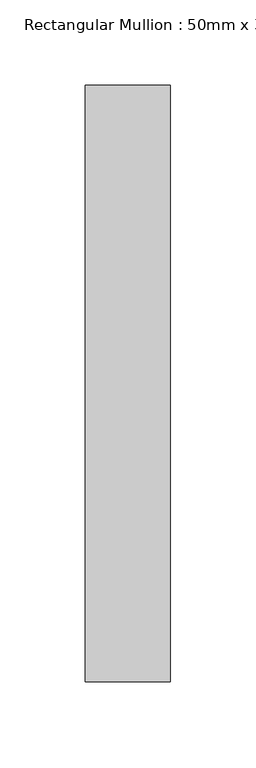
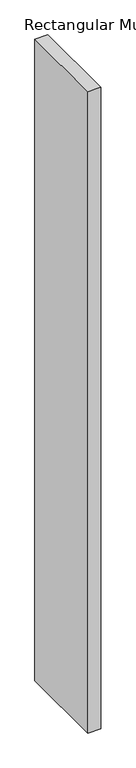
"""IFC4 building model written with IfcOpenShell, lengths in millimetres: member geometry, Rectangular Mullion : 50mm x 350mm."""

import ifcopenshell
import ifcopenshell.guid

model = None  # the IFC model being written
_history = None  # IfcOwnerHistory: only IFC2X3 demands one
_inside = {}  # id of a spatial element -> (the spatial element, [elements in it])
_under = {}  # id of a project, library or spatial element -> (it, [spatial elements below it])
_declared = {}  # id of a project -> (the project, [libraries it declares])
_typed = {}  # id of a type object -> (the type object, [elements of that type])
_made_of = {}  # id of a material, layer set ... -> (it, [elements and type objects made of it])


def new_model(schema):
    """Start an empty IFC model of exactly this schema.

    Asked for "IFC4X3", IfcOpenShell would pick the latest addendum, in which some entities
    have other attributes; the version numbers below select the first issue.
    IFC2X3 requires an IfcOwnerHistory on every rooted entity: one is made here for all.
    """
    global model, _history
    if schema == "IFC4X3":
        model = ifcopenshell.file(schema_version=(4, 3, 0, 0))
    else:
        model = ifcopenshell.file(schema=schema)
    _inside.clear()
    _under.clear()
    _declared.clear()
    _typed.clear()
    _made_of.clear()
    _history = None
    if model.schema == "IFC2X3":
        org = make("IfcOrganization", Name="unknown")
        user = make(
            "IfcPersonAndOrganization",
            ThePerson=make("IfcPerson", FamilyName="unknown"),
            TheOrganization=org,
        )
        app = make(
            "IfcApplication",
            ApplicationDeveloper=org,
            Version="unknown",
            ApplicationFullName="unknown",
            ApplicationIdentifier="unknown",
        )
        _history = make(
            "IfcOwnerHistory",
            OwningUser=user,
            OwningApplication=app,
            ChangeAction="ADDED",
            CreationDate=0,
        )
    return model


def make(cls, **values):
    """One entity of the class cls with the attributes given. An attribute that is None is left unset."""
    return model.create_entity(
        cls, **{name: value for name, value in values.items() if value is not None}
    )


def rooted(cls, **values):
    """An entity with a GlobalId (a new one), such as an element, a storey or a relation."""
    return make(cls, GlobalId=ifcopenshell.guid.new(), OwnerHistory=_history, **values)


def si_unit(unit_type, name, prefix=None):
    """IfcSIUnit, for example si_unit("LENGTHUNIT", "METRE", prefix="MILLI")."""
    return make("IfcSIUnit", UnitType=unit_type, Prefix=prefix, Name=name)


def assignment(units):
    """IfcUnitAssignment: the units of a project."""
    return None if units is None else make("IfcUnitAssignment", Units=units)


def point(xyz):
    """IfcCartesianPoint."""
    return None if xyz is None else make("IfcCartesianPoint", Coordinates=xyz)


def direction(xyz):
    """IfcDirection."""
    return None if xyz is None else make("IfcDirection", DirectionRatios=xyz)


def frame(location, z_axis=None, x_axis=None):
    """IfcAxis2Placement3D, a coordinate frame: its origin and axes. An axis left out is left unset."""
    return make(
        "IfcAxis2Placement3D",
        Location=point(location),
        Axis=direction(z_axis),
        RefDirection=direction(x_axis),
    )


def origin():
    """The frame at (0, 0, 0) with its axes left unset."""
    return frame((0.0, 0.0, 0.0))


def place(relative_to, where):
    """IfcLocalPlacement: puts the frame where relative to a parent placement (None: the world)."""
    return make(
        "IfcLocalPlacement", PlacementRelTo=relative_to, RelativePlacement=where
    )


def context(
    kind, dimensions, precision=None, world=None, true_north=None, identifier=None
):
    """IfcGeometricRepresentationContext, for example the 3D "Model" context."""
    return make(
        "IfcGeometricRepresentationContext",
        ContextIdentifier=identifier,
        ContextType=kind,
        CoordinateSpaceDimension=dimensions,
        Precision=precision,
        WorldCoordinateSystem=world,
        TrueNorth=true_north,
    )


def project(units=None, contexts=None):
    """IfcProject with its units and contexts."""
    return rooted(
        "IfcProject",
        Name="project",
        RepresentationContexts=contexts,
        UnitsInContext=assignment(units),
    )


def spatial(cls, under=None, at=None, **own):
    """A site, building, storey or space (cls), placed at a placement, below another one or the project."""
    s = rooted(cls, ObjectPlacement=at, **own)
    if under is not None:
        _under.setdefault(under.id(), (under, []))[1].append(s)
    return s


def polyline(points):
    """IfcPolyline through the points."""
    return make("IfcPolyline", Points=[point(p) for p in points])


def outline(outer, holes=None, kind="AREA"):
    """IfcArbitraryClosedProfileDef: a profile drawn as a closed curve; with holes, ...WithVoids."""
    if holes is None:
        return make("IfcArbitraryClosedProfileDef", ProfileType=kind, OuterCurve=outer)
    return make(
        "IfcArbitraryProfileDefWithVoids",
        ProfileType=kind,
        OuterCurve=outer,
        InnerCurves=holes,
    )


def extrude(swept, where, along, depth):
    """IfcExtrudedAreaSolid: the profile swept, set in the frame where, extruded along a direction by depth."""
    return make(
        "IfcExtrudedAreaSolid",
        SweptArea=swept,
        Position=where,
        ExtrudedDirection=direction(along),
        Depth=depth,
    )


def shape(context_of_items, identifier, shape_type, items):
    """IfcShapeRepresentation: the items that make up one representation, for example the "Body"."""
    return make(
        "IfcShapeRepresentation",
        ContextOfItems=context_of_items,
        RepresentationIdentifier=identifier,
        RepresentationType=shape_type,
        Items=items,
    )


def source(mapping_origin, context_of_items, identifier, shape_type, items):
    """IfcRepresentationMap: a shape defined once, which mapped items show again and again."""
    return make(
        "IfcRepresentationMap",
        MappingOrigin=mapping_origin,
        MappedRepresentation=shape(context_of_items, identifier, shape_type, items),
    )


def transform(
    local_origin,
    x_axis=None,
    y_axis=None,
    z_axis=None,
    scale=None,
    scale2=None,
    scale3=None,
    uniform=True,
):
    """IfcCartesianTransformationOperator3D, or its non-uniform kind. x_axis, y_axis, z_axis: its Axis1, 2, 3."""
    if uniform:
        return make(
            "IfcCartesianTransformationOperator3D",
            Axis1=direction(x_axis),
            Axis2=direction(y_axis),
            LocalOrigin=point(local_origin),
            Scale=scale,
            Axis3=direction(z_axis),
        )
    return make(
        "IfcCartesianTransformationOperator3DnonUniform",
        Axis1=direction(x_axis),
        Axis2=direction(y_axis),
        LocalOrigin=point(local_origin),
        Scale=scale,
        Axis3=direction(z_axis),
        Scale2=scale2,
        Scale3=scale3,
    )


def mapped(mapping_source, mapping_target):
    """IfcMappedItem: shows the shape of a source again, moved by a transform."""
    return make(
        "IfcMappedItem", MappingSource=mapping_source, MappingTarget=mapping_target
    )


def made_of(thing, what):
    """Note that an element or type object is made of a material, layer set ...; save() writes the relation."""
    if what is not None:
        _made_of.setdefault(what.id(), (what, []))[1].append(thing)
    return thing


def element(
    cls,
    number,
    at=None,
    inside=None,
    cuts=None,
    type_object=None,
    material=None,
    context=None,
    identifier="Body",
    shape_type=None,
    held_by="IfcProductDefinitionShape",
    body=None,
    shapes=None,
    **own,
):
    """One element of the class cls, such as IfcWall. Its Tag is "e" and its number.

    at: its placement. inside: the storey or other place that contains it. cuts: it is an
    opening in that element (IfcRelVoidsElement). A single representation is given by context,
    identifier, shape_type and body (its items); several are given by shapes. held_by: the class
    of the entity that holds the representations. save() writes the other relations.
    """
    e = rooted(cls, Tag="e%d" % number, ObjectPlacement=at, **own)
    if body is not None:
        shapes = [shape(context, identifier, shape_type, body)]
    if shapes is not None:
        e.Representation = make(held_by, Representations=shapes)
    if inside is not None:
        _inside.setdefault(inside.id(), (inside, []))[1].append(e)
    if cuts is not None:
        rooted(
            "IfcRelVoidsElement", RelatingBuildingElement=cuts, RelatedOpeningElement=e
        )
    if type_object is not None:
        _typed.setdefault(type_object.id(), (type_object, []))[1].append(e)
    return made_of(e, material)


def aggregate(whole, parts):
    """IfcRelAggregates: a whole, such as a stair, and the parts it consists of."""
    return rooted("IfcRelAggregates", RelatingObject=whole, RelatedObjects=parts)


def save(model, path):
    """Write the relations noted so far, then the file.

    IfcRelAggregates (storeys below a building ...), IfcRelContainedInSpatialStructure (elements
    in a storey), IfcRelDefinesByType, IfcRelAssociatesMaterial and IfcRelDeclares: one each for
    every whole, place, type object, material and project.
    """
    for whole, parts in _under.values():
        aggregate(whole, parts)
    for where, things in _inside.values():
        rooted(
            "IfcRelContainedInSpatialStructure",
            RelatedElements=things,
            RelatingStructure=where,
        )
    for kind, things in _typed.values():
        rooted("IfcRelDefinesByType", RelatedObjects=things, RelatingType=kind)
    for what, things in _made_of.values():
        rooted("IfcRelAssociatesMaterial", RelatedObjects=things, RelatingMaterial=what)
    for by, libraries in _declared.values():
        rooted("IfcRelDeclares", RelatingContext=by, RelatedDefinitions=libraries)
    model.write(path)


def rectangular_mullion_50mm_x_350mm_3ce3e999(model_context):
    return source(origin(), model_context, "Body", "SweptSolid", [
        extrude(outline(polyline([(0.0, 175.0), (0.0, -175.0), (-50.0, -175.0), (-50.0, 175.0), (0.0, 175.0)])), frame((0.0, 0.0, -2590.0), z_axis=(0.0, 0.0, 1.0), x_axis=(1.0, 0.0, 0.0)), (0.0, 0.0, 1.0), 2590.0),
    ])


if __name__ == "__main__":
    model = new_model("IFC4")
    model_context = context("Model", 3, world=origin())
    ifc_project = project(units=[si_unit("LENGTHUNIT", "METRE", prefix="MILLI")], contexts=[model_context])
    site = spatial("IfcSite", under=ifc_project)
    building = spatial("IfcBuilding", under=site)
    placement = place(None, origin())
    rectangular_mullion_50mm_x_350mm_shape = rectangular_mullion_50mm_x_350mm_3ce3e999(model_context)
    element("IfcMember", 1, ObjectType="Rectangular Mullion : 50mm x 350mm", at=placement, inside=building, context=model_context, shape_type="MappedRepresentation", body=[
        mapped(rectangular_mullion_50mm_x_350mm_shape, transform((0.0, 0.0, 0.0), x_axis=(1.0, 0.0, 0.0), y_axis=(0.0, 1.0, 0.0), z_axis=(0.0, 0.0, 1.0))),
    ])
    save(model, "model.ifc")
